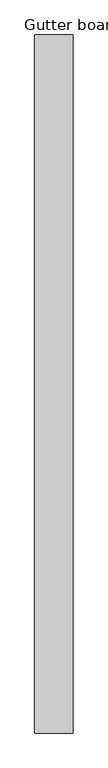
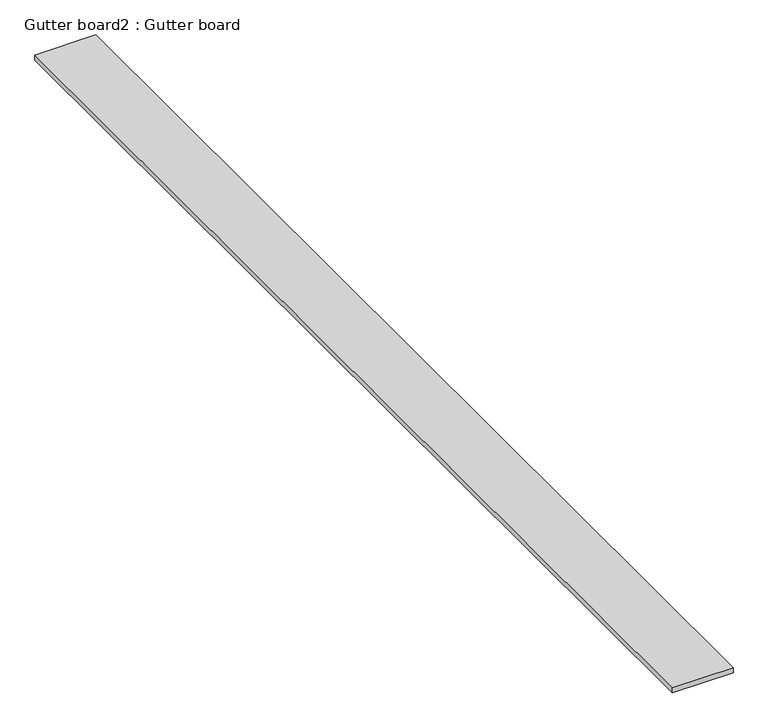
"""IFC4 building model written with IfcOpenShell, lengths in millimetres: proxy geometry, Gutter board2 : Gutter board."""

import ifcopenshell
import ifcopenshell.guid

model = None  # the IFC model being written
_history = None  # IfcOwnerHistory: only IFC2X3 demands one
_inside = {}  # id of a spatial element -> (the spatial element, [elements in it])
_under = {}  # id of a project, library or spatial element -> (it, [spatial elements below it])
_declared = {}  # id of a project -> (the project, [libraries it declares])
_typed = {}  # id of a type object -> (the type object, [elements of that type])
_made_of = {}  # id of a material, layer set ... -> (it, [elements and type objects made of it])


def new_model(schema):
    """Start an empty IFC model of exactly this schema.

    Asked for "IFC4X3", IfcOpenShell would pick the latest addendum, in which some entities
    have other attributes; the version numbers below select the first issue.
    IFC2X3 requires an IfcOwnerHistory on every rooted entity: one is made here for all.
    """
    global model, _history
    if schema == "IFC4X3":
        model = ifcopenshell.file(schema_version=(4, 3, 0, 0))
    else:
        model = ifcopenshell.file(schema=schema)
    _inside.clear()
    _under.clear()
    _declared.clear()
    _typed.clear()
    _made_of.clear()
    _history = None
    if model.schema == "IFC2X3":
        org = make("IfcOrganization", Name="unknown")
        user = make(
            "IfcPersonAndOrganization",
            ThePerson=make("IfcPerson", FamilyName="unknown"),
            TheOrganization=org,
        )
        app = make(
            "IfcApplication",
            ApplicationDeveloper=org,
            Version="unknown",
            ApplicationFullName="unknown",
            ApplicationIdentifier="unknown",
        )
        _history = make(
            "IfcOwnerHistory",
            OwningUser=user,
            OwningApplication=app,
            ChangeAction="ADDED",
            CreationDate=0,
        )
    return model


def make(cls, **values):
    """One entity of the class cls with the attributes given. An attribute that is None is left unset."""
    return model.create_entity(
        cls, **{name: value for name, value in values.items() if value is not None}
    )


def rooted(cls, **values):
    """An entity with a GlobalId (a new one), such as an element, a storey or a relation."""
    return make(cls, GlobalId=ifcopenshell.guid.new(), OwnerHistory=_history, **values)


def si_unit(unit_type, name, prefix=None):
    """IfcSIUnit, for example si_unit("LENGTHUNIT", "METRE", prefix="MILLI")."""
    return make("IfcSIUnit", UnitType=unit_type, Prefix=prefix, Name=name)


def assignment(units):
    """IfcUnitAssignment: the units of a project."""
    return None if units is None else make("IfcUnitAssignment", Units=units)


def point(xyz):
    """IfcCartesianPoint."""
    return None if xyz is None else make("IfcCartesianPoint", Coordinates=xyz)


def direction(xyz):
    """IfcDirection."""
    return None if xyz is None else make("IfcDirection", DirectionRatios=xyz)


def frame(location, z_axis=None, x_axis=None):
    """IfcAxis2Placement3D, a coordinate frame: its origin and axes. An axis left out is left unset."""
    return make(
        "IfcAxis2Placement3D",
        Location=point(location),
        Axis=direction(z_axis),
        RefDirection=direction(x_axis),
    )


def origin():
    """The frame at (0, 0, 0) with its axes left unset."""
    return frame((0.0, 0.0, 0.0))


def place(relative_to, where):
    """IfcLocalPlacement: puts the frame where relative to a parent placement (None: the world)."""
    return make(
        "IfcLocalPlacement", PlacementRelTo=relative_to, RelativePlacement=where
    )


def context(
    kind, dimensions, precision=None, world=None, true_north=None, identifier=None
):
    """IfcGeometricRepresentationContext, for example the 3D "Model" context."""
    return make(
        "IfcGeometricRepresentationContext",
        ContextIdentifier=identifier,
        ContextType=kind,
        CoordinateSpaceDimension=dimensions,
        Precision=precision,
        WorldCoordinateSystem=world,
        TrueNorth=true_north,
    )


def project(units=None, contexts=None):
    """IfcProject with its units and contexts."""
    return rooted(
        "IfcProject",
        Name="project",
        RepresentationContexts=contexts,
        UnitsInContext=assignment(units),
    )


def spatial(cls, under=None, at=None, **own):
    """A site, building, storey or space (cls), placed at a placement, below another one or the project."""
    s = rooted(cls, ObjectPlacement=at, **own)
    if under is not None:
        _under.setdefault(under.id(), (under, []))[1].append(s)
    return s


def polyline(points):
    """IfcPolyline through the points."""
    return make("IfcPolyline", Points=[point(p) for p in points])


def outline(outer, holes=None, kind="AREA"):
    """IfcArbitraryClosedProfileDef: a profile drawn as a closed curve; with holes, ...WithVoids."""
    if holes is None:
        return make("IfcArbitraryClosedProfileDef", ProfileType=kind, OuterCurve=outer)
    return make(
        "IfcArbitraryProfileDefWithVoids",
        ProfileType=kind,
        OuterCurve=outer,
        InnerCurves=holes,
    )


def extrude(swept, where, along, depth):
    """IfcExtrudedAreaSolid: the profile swept, set in the frame where, extruded along a direction by depth."""
    return make(
        "IfcExtrudedAreaSolid",
        SweptArea=swept,
        Position=where,
        ExtrudedDirection=direction(along),
        Depth=depth,
    )


def shape(context_of_items, identifier, shape_type, items):
    """IfcShapeRepresentation: the items that make up one representation, for example the "Body"."""
    return make(
        "IfcShapeRepresentation",
        ContextOfItems=context_of_items,
        RepresentationIdentifier=identifier,
        RepresentationType=shape_type,
        Items=items,
    )


def source(mapping_origin, context_of_items, identifier, shape_type, items):
    """IfcRepresentationMap: a shape defined once, which mapped items show again and again."""
    return make(
        "IfcRepresentationMap",
        MappingOrigin=mapping_origin,
        MappedRepresentation=shape(context_of_items, identifier, shape_type, items),
    )


def transform(
    local_origin,
    x_axis=None,
    y_axis=None,
    z_axis=None,
    scale=None,
    scale2=None,
    scale3=None,
    uniform=True,
):
    """IfcCartesianTransformationOperator3D, or its non-uniform kind. x_axis, y_axis, z_axis: its Axis1, 2, 3."""
    if uniform:
        return make(
            "IfcCartesianTransformationOperator3D",
            Axis1=direction(x_axis),
            Axis2=direction(y_axis),
            LocalOrigin=point(local_origin),
            Scale=scale,
            Axis3=direction(z_axis),
        )
    return make(
        "IfcCartesianTransformationOperator3DnonUniform",
        Axis1=direction(x_axis),
        Axis2=direction(y_axis),
        LocalOrigin=point(local_origin),
        Scale=scale,
        Axis3=direction(z_axis),
        Scale2=scale2,
        Scale3=scale3,
    )


def mapped(mapping_source, mapping_target):
    """IfcMappedItem: shows the shape of a source again, moved by a transform."""
    return make(
        "IfcMappedItem", MappingSource=mapping_source, MappingTarget=mapping_target
    )


def made_of(thing, what):
    """Note that an element or type object is made of a material, layer set ...; save() writes the relation."""
    if what is not None:
        _made_of.setdefault(what.id(), (what, []))[1].append(thing)
    return thing


def element(
    cls,
    number,
    at=None,
    inside=None,
    cuts=None,
    type_object=None,
    material=None,
    context=None,
    identifier="Body",
    shape_type=None,
    held_by="IfcProductDefinitionShape",
    body=None,
    shapes=None,
    **own,
):
    """One element of the class cls, such as IfcWall. Its Tag is "e" and its number.

    at: its placement. inside: the storey or other place that contains it. cuts: it is an
    opening in that element (IfcRelVoidsElement). A single representation is given by context,
    identifier, shape_type and body (its items); several are given by shapes. held_by: the class
    of the entity that holds the representations. save() writes the other relations.
    """
    e = rooted(cls, Tag="e%d" % number, ObjectPlacement=at, **own)
    if body is not None:
        shapes = [shape(context, identifier, shape_type, body)]
    if shapes is not None:
        e.Representation = make(held_by, Representations=shapes)
    if inside is not None:
        _inside.setdefault(inside.id(), (inside, []))[1].append(e)
    if cuts is not None:
        rooted(
            "IfcRelVoidsElement", RelatingBuildingElement=cuts, RelatedOpeningElement=e
        )
    if type_object is not None:
        _typed.setdefault(type_object.id(), (type_object, []))[1].append(e)
    return made_of(e, material)


def aggregate(whole, parts):
    """IfcRelAggregates: a whole, such as a stair, and the parts it consists of."""
    return rooted("IfcRelAggregates", RelatingObject=whole, RelatedObjects=parts)


def save(model, path):
    """Write the relations noted so far, then the file.

    IfcRelAggregates (storeys below a building ...), IfcRelContainedInSpatialStructure (elements
    in a storey), IfcRelDefinesByType, IfcRelAssociatesMaterial and IfcRelDeclares: one each for
    every whole, place, type object, material and project.
    """
    for whole, parts in _under.values():
        aggregate(whole, parts)
    for where, things in _inside.values():
        rooted(
            "IfcRelContainedInSpatialStructure",
            RelatedElements=things,
            RelatingStructure=where,
        )
    for kind, things in _typed.values():
        rooted("IfcRelDefinesByType", RelatedObjects=things, RelatingType=kind)
    for what, things in _made_of.values():
        rooted("IfcRelAssociatesMaterial", RelatedObjects=things, RelatingMaterial=what)
    for by, libraries in _declared.values():
        rooted("IfcRelDeclares", RelatingContext=by, RelatedDefinitions=libraries)
    model.write(path)


def gutter_board2_gutter_board_f2b591b5(model_context):
    return source(origin(), model_context, "Body", "SweptSolid", [
        extrude(outline(polyline([(22237.8272386, -13655.4372176), (22067.8272386, -13655.4372176), (22067.8272386, -10565.4372176), (22237.8272386, -10565.4372176), (22237.8272386, -13655.4372176)])), frame((0.0, 0.0, 3784.2452806), z_axis=(0.0, 0.0, 1.0), x_axis=(1.0, 0.0, 0.0)), (0.0, 0.0, 1.0), 15.0),
    ])


if __name__ == "__main__":
    model = new_model("IFC4")
    model_context = context("Model", 3, world=origin())
    ifc_project = project(units=[si_unit("LENGTHUNIT", "METRE", prefix="MILLI")], contexts=[model_context])
    site = spatial("IfcSite", under=ifc_project)
    building = spatial("IfcBuilding", under=site)
    placement = place(None, origin())
    gutter_board2_gutter_board_shape = gutter_board2_gutter_board_f2b591b5(model_context)
    element("IfcBuildingElementProxy", 1, Name="Gutter board2 : Gutter board", ObjectType="Gutter board2 : Gutter board", at=placement, inside=building, context=model_context, shape_type="MappedRepresentation", body=[
        mapped(gutter_board2_gutter_board_shape, transform((0.0, 0.0, 0.0), x_axis=(1.0, 0.0, 0.0), y_axis=(0.0, 1.0, 0.0), z_axis=(0.0, 0.0, 1.0))),
    ])
    save(model, "model.ifc")
